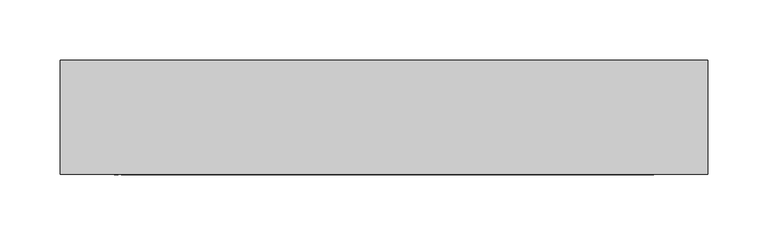
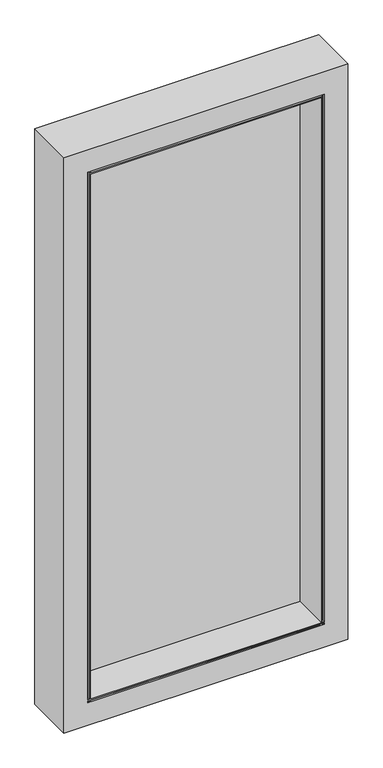
"""IFC4 building model written with IfcOpenShell, lengths in millimetres: plate geometry."""

from ifc_helpers import new_model, si_unit, frame, origin, place, context, project, spatial, polyline, outline, extrude, faceted_brep, source, transform, mapped, element, save


def plate_746fca68(model_context):
    return source(origin(), model_context, "Body", "SolidModel", [
        faceted_brep([(-239.7125, -39.4272728, 33.3375), (-239.7125, -90.4779804, 33.3375), (-257.175, -90.4779804, 33.3375), (-257.175, -39.4272728, 33.3375), (219.075, -39.4272728, 33.3375), (219.075, -90.4779804, 33.3375), (-219.075, -90.4779804, 33.3375), (-219.075, -39.4272728, 33.3375), (239.7125, -90.4779804, 33.3375), (239.7125, -39.4272728, 33.3375), (257.175, -39.4272728, 33.3375), (257.175, -90.4779804, 33.3375), (-257.175, -39.4272728, 15.875), (-239.7125, -39.4272728, 15.875), (-219.075, -39.4272728, 15.875), (219.075, -39.4272728, 15.875), (239.7125, -39.4272728, 15.875), (257.175, -39.4272728, 15.875), (247.66905, -25.4, 25.38095), (247.66905, 0.0, 25.38095), (-247.66905, 0.0, 25.38095), (-247.66905, -25.4, 25.38095), (-221.45625, -95.2404804, 53.975), (-221.45625, -90.4779804, 53.975), (-239.7125, -90.4779804, 53.975), (-239.7125, -34.9154804, 53.975), (-263.525, -34.9154804, 53.975), (-263.525, -39.4049268, 53.975), (-257.175, -39.4049268, 53.975), (-257.175, -92.8592304, 53.975), (-224.63125, -92.8592304, 53.975), (-224.63125, -95.2404804, 53.975), (239.7125, -90.4778977, 53.975), (221.4563223, -90.4778977, 53.975), (221.45625, -95.2404804, 53.975), (224.63125, -95.2404804, 53.975), (224.63125, -93.0814347, 53.975), (257.175, -93.0814347, 53.975), (257.175, -39.4049268, 53.975), (263.525, -39.4049268, 53.975), (263.525, -34.9154804, 53.975), (239.7125, -34.9154804, 53.975), (219.075, -95.2404804, 53.975), (219.075, -25.4, 53.975), (-219.075, -25.4, 53.975), (-219.075, -95.2404804, 53.975), (-269.875, -95.2404804, 3.175), (-269.875, 0.0, 3.175), (269.875, 0.0, 3.175), (269.875, -95.2404804, 3.175), (269.875, -95.2404804, 1158.875), (269.875, 0.0, 1158.875), (-269.875, 0.0, 1158.875), (-269.875, -95.2404804, 1158.875), (263.525, -39.4049268, 1108.075), (257.175, -39.4049268, 1108.075), (263.525, -34.9154804, 1108.075), (224.6409041, -93.0814347, 1108.075), (257.175, -93.0814347, 1108.075), (257.175, -93.0814347, 1110.4783065), (224.6409041, -93.0814347, 1110.4783065), (224.6402752, -93.0814347, 1113.63125), (257.175, -93.0814347, 1113.63125), (224.63125, -93.0814347, 51.5620394), (257.175, -93.0814347, 51.5620394), (257.175, -93.0814347, 48.41875), (224.63125, -93.0814347, 48.41875), (257.175, -39.404285, 1128.7128622), (257.175, -90.4778977, 1128.7128622), (257.175, -90.4778977, 1110.4783065), (257.175, -92.8592304, 1113.63125), (257.175, -92.8592304, 1146.175), (257.175, -39.404285, 1146.175), (257.175, -90.4778977, 51.59375), (257.175, -92.8592304, 15.875), (257.175, -92.8592304, 48.41875), (239.7125, -34.9154804, 1108.075), (224.6409041, -90.4779804, 1108.075), (239.7125, -90.4779804, 1108.075), (219.075, -25.4, 1108.075), (219.075, -95.2404804, 1108.075), (-219.075, -95.2404804, 1108.075), (-219.075, -25.4, 1108.075), (-239.7125, -90.4779804, 1108.075), (-224.6409041, -90.4779804, 1108.075), (-224.6409041, -92.8592304, 1108.075), (-257.175, -92.8592304, 1108.075), (-257.175, -39.4049268, 1108.075), (-263.525, -39.4049268, 1108.075), (-263.525, -34.9154804, 1108.075), (-239.7125, -34.9154804, 1108.075), (247.66905, -25.4, 1136.66905), (-247.66905, -25.4, 1136.66905), (247.66905, 0.0, 1136.66905), (-247.66905, 0.0, 1136.66905), (-257.175, -39.404285, 1128.7128622), (-239.7125, -39.404285, 1128.7128622), (-239.7125, -39.404285, 1146.175), (-257.175, -39.404285, 1146.175), (-219.075, -39.404285, 1128.7128622), (219.075, -39.404285, 1128.7128622), (219.075, -39.404285, 1146.175), (-219.075, -39.404285, 1146.175), (239.7125, -39.404285, 1128.7128622), (239.7125, -39.404285, 1146.175), (-239.7125, -90.4778977, 1128.7128622), (-257.175, -90.4778977, 1128.7128622), (219.075, -90.4778977, 1128.7128622), (-219.075, -90.4778977, 1128.7128622), (239.7125, -90.4778977, 1128.7128622), (224.6409041, -90.4778977, 1110.4783065), (239.7125, -90.4778977, 1146.175), (221.45625, -90.4778977, 1146.175), (221.45625, -90.4778977, 1113.6409041), (219.075, -90.4778977, 1113.6409041), (-219.075, -90.4778977, 1110.478359), (221.4879606, -90.4778977, 1110.4879606), (-224.6409041, -90.4778977, 1110.4783065), (-221.45625, -90.4778977, 1146.175), (-239.7125, -90.4778977, 1146.175), (-257.175, -90.4778977, 1110.4783065), (219.075, -90.4778977, 48.4090959), (221.45625, -90.4778977, 48.4090959), (221.45625, -90.4778977, 15.875), (239.7125, -90.4778977, 15.875), (-219.075, -90.4778977, 51.59375), (-221.45625, -90.4778977, 51.59375), (-257.175, -90.4778977, 51.59375), (-239.7125, -90.4778977, 15.875), (-221.45625, -90.4778977, 15.875), (-257.175, -92.8592304, 1110.4783065), (-224.6409041, -92.8592304, 1110.4783065), (221.4879606, -95.2404804, 1110.4783065), (-219.075, -95.2404804, 1110.4783065), (-224.63125, -95.2404804, 1113.63125), (-221.4879606, -95.2404804, 1113.63125), (-219.075, -95.2404804, 48.41875), (-219.075, -95.2404804, 51.5620394), (224.63125, -95.2404804, 51.59375), (224.63125, -95.2404804, 48.41875), (-219.075, -95.2404804, 1113.63125), (224.6409041, -95.2404804, 1113.63125), (-221.45625, -95.2404804, 51.5620394), (-221.45625, -95.2404804, 48.41875), (-224.63125, -95.2404804, 48.41875), (-224.63125, -95.2404804, 51.5620394), (-219.075, -92.8592304, 1146.175), (-219.075, -92.8592304, 1113.63125), (-219.075, -92.8592304, 48.41875), (-219.075, -92.8592304, 15.875), (219.075, -92.8592304, 1113.6409041), (219.075, -92.8592304, 1146.175), (219.075, -92.8592304, 15.875), (219.075, -92.8592304, 48.4090959), (221.45625, -92.8592304, 1146.175), (221.45625, -92.8592304, 1113.6409041), (221.45625, -92.8592304, 48.4090959), (221.45625, -92.8592304, 15.875), (-257.175, -92.8592304, 1146.175), (-257.175, -92.8592304, 51.5620394), (-257.175, -92.8592304, 15.875), (-221.4879606, -92.8592304, 1146.175), (-221.4879606, -92.8592304, 1113.63125), (-224.6409041, -92.8592304, 1113.63125), (-224.63125, -92.8592304, 51.5620394), (-224.63125, -92.8592304, 48.41875), (-221.4879606, -92.8592304, 48.41875), (-221.4879606, -92.8592304, 15.875)], [[[0, 1, 2, 3]], [[4, 5, 6, 7]], [[8, 9, 10, 11]], [[0, 3, 12, 13]], [[4, 7, 14, 15]], [[10, 9, 16, 17]], [[18, 19, 20, 21]], [[22, 23, 24, 25, 26, 27, 28, 29, 30, 31]], [[32, 33, 34, 35, 36, 37, 38, 39, 40, 41]], [[42, 43, 44, 45]], [[46, 47, 48, 49]], [[50, 51, 52, 53]], [[54, 39, 38, 55]], [[39, 54, 56, 40]], [[50, 49, 48, 51]], [[36, 57, 58, 37]], [[59, 60, 61, 62]], [[63, 64, 65, 66]], [[55, 38, 37, 58]], [[67, 68, 69, 59, 62, 70, 71, 72]], [[73, 11, 10, 17, 74, 75, 65, 64]], [[76, 56, 54, 55, 58, 57, 77, 78]], [[79, 80, 81, 82]], [[83, 84, 85, 86, 87, 88, 89, 90]], [[91, 18, 21, 92], [43, 79, 82, 44]], [[93, 91, 92, 94]], [[48, 47, 52, 51], [19, 93, 94, 20]], [[95, 96, 97, 98]], [[99, 100, 101, 102]], [[103, 67, 72, 104]], [[105, 96, 95, 106]], [[107, 100, 99, 108]], [[103, 109, 68, 67]], [[78, 77, 110, 69, 68, 109, 111, 112, 113, 114, 107, 108, 115, 116, 33, 32]], [[117, 84, 83, 24, 23, 118, 119, 105, 106, 120]], [[121, 122, 123, 124, 8, 11, 73, 125, 6, 5]], [[126, 127, 2, 1, 128, 129]], [[69, 110, 60, 59]], [[117, 120, 130, 131]], [[132, 116, 115, 133]], [[46, 49, 50, 53], [22, 31, 134, 135], [136, 137, 138, 139], [80, 42, 45, 81], [34, 132, 133, 140, 141, 35], [142, 143, 144, 145]], [[20, 94, 92, 21]], [[108, 99, 102, 146, 147, 140, 133, 115]], [[6, 125, 137, 136, 148, 149, 14, 7]], [[81, 45, 44, 82]], [[1, 0, 13, 128]], [[96, 105, 119, 97]], [[24, 83, 90, 25]], [[25, 90, 89, 26]], [[56, 76, 41, 40]], [[91, 93, 19, 18]], [[80, 79, 43, 42]], [[100, 107, 114, 150, 151, 101]], [[121, 5, 4, 15, 152, 153]], [[113, 112, 154, 155]], [[123, 122, 156, 157]], [[116, 132, 34, 33]], [[76, 78, 32, 41]], [[109, 103, 104, 111]], [[9, 8, 124, 16]], [[88, 27, 26, 89]], [[27, 88, 87, 28]], [[106, 95, 98, 158, 130, 120]], [[2, 127, 159, 160, 12, 3]], [[28, 87, 86, 29]], [[131, 130, 158, 161, 162, 163]], [[29, 86, 85, 30]], [[156, 75, 74, 157]], [[146, 151, 150, 147]], [[154, 71, 70, 155]], [[148, 153, 152, 149]], [[159, 164, 165, 166, 167, 160]], [[52, 47, 46, 53]], [[98, 97, 119, 118, 161, 158]], [[151, 146, 102, 101]], [[71, 154, 112, 111, 104, 72]], [[157, 74, 17, 16, 124, 123]], [[160, 167, 129, 128, 13, 12]], [[149, 152, 15, 14]], [[110, 77, 57, 36, 35, 141, 61, 60]], [[138, 63, 66, 139]], [[63, 138, 137, 125, 73, 64]], [[126, 142, 145, 164, 159, 127]], [[122, 121, 153, 148, 136, 139, 66, 65, 75, 156]], [[144, 143, 166, 165]], [[23, 22, 135, 162, 161, 118]], [[142, 126, 129, 167, 166, 143]], [[84, 117, 131, 163, 134, 31, 30, 85]], [[164, 145, 144, 165]], [[114, 113, 155, 70, 62, 61, 141, 140, 147, 150]], [[135, 134, 163, 162]]]),
        extrude(outline(polyline([(247.66905, 0.0), (247.66905, -25.4), (-247.66905, -25.4), (-247.66905, 0.0), (247.66905, 0.0)])), frame((0.0, 0.0, 25.38095), z_axis=(0.0, 0.0, 1.0), x_axis=(1.0, 0.0, 0.0)), (0.0, 0.0, 1.0), 1111.2881),
    ])


if __name__ == "__main__":
    model = new_model("IFC4")
    model_context = context("Model", 3, world=origin())
    ifc_project = project(units=[si_unit("LENGTHUNIT", "METRE", prefix="MILLI")], contexts=[model_context])
    site = spatial("IfcSite", under=ifc_project)
    building = spatial("IfcBuilding", under=site)
    placement = place(None, origin())
    plate_shape = plate_746fca68(model_context)
    element("IfcPlate", 1, at=placement, inside=building, context=model_context, shape_type="MappedRepresentation", body=[
        mapped(plate_shape, transform((0.0, 0.0, 0.0), x_axis=(1.0, 0.0, 0.0), y_axis=(0.0, 1.0, 0.0), z_axis=(0.0, 0.0, 1.0))),
    ])
    save(model, "model.ifc")
